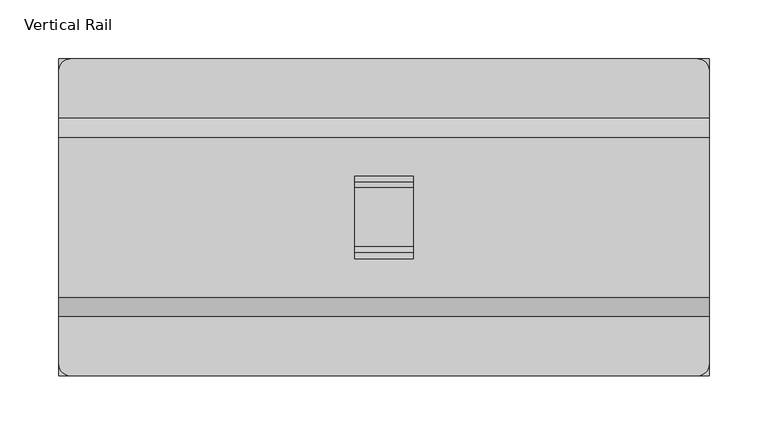
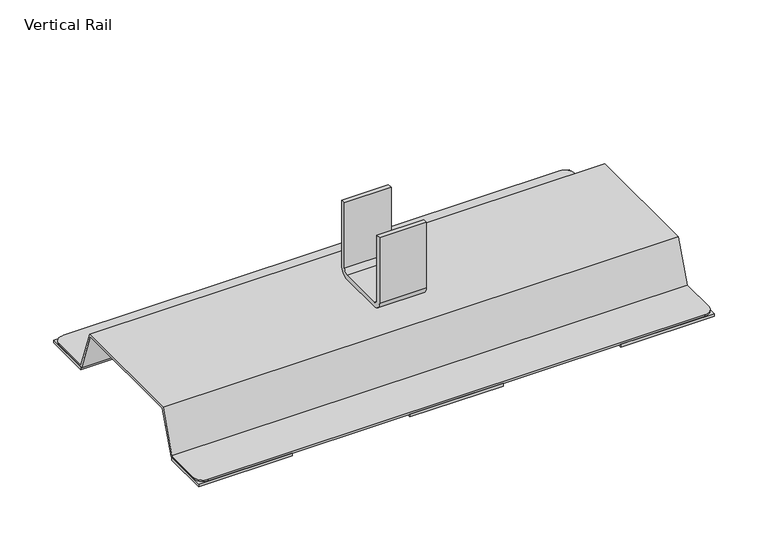
"""IFC4 building model written with IfcOpenShell, lengths in millimetres: proxy geometry, Vertical Rail."""

from ifc_helpers import new_model, si_unit, point, frame, frame_2d, origin, origin_with_axes, place, context, project, spatial, polyline, circle_curve, trimmed, segment, composite_curve, outline, extrude, source, transform, mapped, element, save
from ifc_brep_helpers import plane_surface, cylinder_surface, advanced_brep


def vertical_rail_d196b968(model_context):
    return source(origin(), model_context, "Body", "SolidModel", [
        extrude(outline(composite_curve([segment(polyline([(-35.0, 60.0), (-35.0, 134.0), (-30.0, 134.0), (-30.0, 60.0)]), True, "CONTINUOUS"), segment(trimmed(circle_curve(frame_2d((-25.0, 60.0)), 5.0), [point((-30.0, 60.0))], [point((-25.0, 55.0))], True, "CARTESIAN"), True, "CONTINUOUS"), segment(polyline([(-25.0, 55.0), (25.0, 55.0)]), True, "CONTINUOUS"), segment(trimmed(circle_curve(frame_2d((25.0, 60.0)), 5.0), [point((25.0, 55.0))], [point((30.0, 60.0))], True, "CARTESIAN"), True, "CONTINUOUS"), segment(polyline([(30.0, 60.0), (30.0, 134.0), (35.0, 134.0), (35.0, 60.0)]), True, "CONTINUOUS"), segment(trimmed(circle_curve(frame_2d((25.0, 60.0)), 10.0), [point((35.0, 60.0))], [point((25.0, 50.0))], False, "CARTESIAN"), True, "CONTINUOUS"), segment(polyline([(25.0, 50.0), (-25.0, 50.0)]), True, "CONTINUOUS"), segment(trimmed(circle_curve(frame_2d((-25.0, 60.0)), 10.0), [point((-25.0, 50.0))], [point((-35.0, 60.0))], False, "CARTESIAN"), True, "CONTINUOUS")], self_intersect=False)), frame((-25.0, 0.0, 0.0), z_axis=(1.0, 0.0, 0.0), x_axis=(0.0, 1.0, 0.0)), (0.0, 0.0, 1.0), 50.0),
        extrude(outline(polyline([(-176.0, 134.5), (-176.0, 84.5), (-276.0, 84.5), (-276.0, 134.5), (-176.0, 134.5)])), origin_with_axes(), (0.0, 0.0, 1.0), 3.0),
        extrude(outline(polyline([(50.0, 134.5), (50.0, 84.5), (-50.0, 84.5), (-50.0, 134.5), (50.0, 134.5)])), origin_with_axes(), (0.0, 0.0, 1.0), 3.0),
        extrude(outline(polyline([(276.0, 134.5), (276.0, 84.5), (176.0, 84.5), (176.0, 134.5), (276.0, 134.5)])), origin_with_axes(), (0.0, 0.0, 1.0), 3.0),
        extrude(outline(polyline([(-176.0, -84.5), (-176.0, -134.5), (-276.0, -134.5), (-276.0, -84.5), (-176.0, -84.5)])), origin_with_axes(), (0.0, 0.0, 1.0), 3.0),
        extrude(outline(polyline([(50.0, -84.5), (50.0, -134.5), (-50.0, -134.5), (-50.0, -84.5), (50.0, -84.5)])), origin_with_axes(), (0.0, 0.0, 1.0), 3.0),
        extrude(outline(polyline([(276.0, -84.5), (276.0, -134.5), (176.0, -134.5), (176.0, -84.5), (276.0, -84.5)])), origin_with_axes(), (0.0, 0.0, 1.0), 3.0),
        advanced_brep(
        [(-276.0, 83.0995849, 3.0), (-276.0, 66.7209244, 48.0), (-276.0, -66.7209244, 48.0), (-276.0, -83.0995849, 3.0), (-276.0, -124.5, 3.0), (-276.0, -124.5, 5.0), (-276.0, -84.5, 5.0), (-276.0, -68.1213395, 50.0), (-276.0, 68.1213395, 50.0), (-276.0, 84.5, 5.0), (-276.0, 124.5, 5.0), (-276.0, 124.5, 3.0), (276.0, 84.5, 5.0), (276.0, 68.1213395, 50.0), (276.0, -68.1213395, 50.0), (276.0, -84.5, 5.0), (276.0, -124.5, 5.0), (276.0, -124.5, 3.0), (276.0, -83.0995849, 3.0), (276.0, -66.7209244, 48.0), (276.0, 66.7209244, 48.0), (276.0, 83.0995849, 3.0), (276.0, 124.5, 3.0), (276.0, 124.5, 5.0), (266.0, 134.5, 5.0), (-266.0, 134.5, 5.0), (266.0, 134.5, 3.0), (-266.0, 134.5, 3.0), (266.0, -134.5, 3.0), (-266.0, -134.5, 3.0), (266.0, -134.5, 5.0), (-266.0, -134.5, 5.0)],
        [
            (0, 1),
            (1, 2),
            (2, 3),
            (3, 4),
            (4, 5),
            (5, 6),
            (6, 7),
            (7, 8),
            (8, 9),
            (9, 10),
            (10, 11),
            (11, 0),
            (12, 13),
            (13, 14),
            (14, 15),
            (15, 16),
            (16, 17),
            (17, 18),
            (18, 19),
            (19, 20),
            (20, 21),
            (21, 22),
            (22, 23),
            (23, 12),
            (9, 12),
            (23, 24, circle_curve(frame((266.0, 124.5, 5.0), z_axis=(0.0, 0.0, 1.0), x_axis=(1.0, 0.0, 0.0)), 10.0)),
            (24, 25),
            (25, 10, circle_curve(frame((-266.0, 124.5, 5.0), z_axis=(0.0, 0.0, 1.0), x_axis=(1.0, 0.0, 0.0)), 10.0)),
            (24, 26),
            (26, 27),
            (27, 25),
            (21, 0),
            (11, 27, circle_curve(frame((-266.0, 124.5, 3.0), z_axis=(0.0, 0.0, -1.0), x_axis=(1.0, 0.0, 0.0)), 10.0)),
            (26, 22, circle_curve(frame((266.0, 124.5, 3.0), z_axis=(0.0, 0.0, -1.0), x_axis=(1.0, 0.0, 0.0)), 10.0)),
            (3, 18),
            (17, 28, circle_curve(frame((266.0, -124.5, 3.0), z_axis=(0.0, 0.0, -1.0), x_axis=(1.0, 0.0, 0.0)), 10.0)),
            (28, 29),
            (29, 4, circle_curve(frame((-266.0, -124.5, 3.0), z_axis=(0.0, 0.0, -1.0), x_axis=(1.0, 0.0, 0.0)), 10.0)),
            (28, 30),
            (30, 31),
            (31, 29),
            (15, 6),
            (5, 31, circle_curve(frame((-266.0, -124.5, 5.0), z_axis=(0.0, 0.0, 1.0), x_axis=(1.0, 0.0, 0.0)), 10.0)),
            (30, 16, circle_curve(frame((266.0, -124.5, 5.0), z_axis=(0.0, 0.0, 1.0), x_axis=(1.0, 0.0, 0.0)), 10.0)),
            (8, 13),
            (20, 1),
            (19, 2),
            (14, 7),
        ],
        [
            plane_surface(frame((-276.0, 84.5, 5.0), z_axis=(-1.0, 0.0, 0.0), x_axis=(0.0, 1.0, 0.0))),
            plane_surface(frame((276.0, 84.5, 5.0), z_axis=(1.0, 0.0, 0.0), x_axis=(0.0, -1.0, 0.0))),
            plane_surface(frame((-276.0, 84.5, 5.0), z_axis=(0.0, 0.0, 1.0), x_axis=(1.0, 0.0, 0.0))),
            plane_surface(frame((-276.0, 134.5, 5.0), z_axis=(0.0, 1.0, 0.0), x_axis=(1.0, 0.0, 0.0))),
            plane_surface(frame((-276.0, 134.5, 3.0), z_axis=(0.0, 0.0, -1.0), x_axis=(1.0, 0.0, 0.0))),
            plane_surface(frame((-276.0, -83.0995849, 3.0), z_axis=(0.0, 0.0, -1.0), x_axis=(1.0, 0.0, 0.0))),
            plane_surface(frame((-276.0, -134.5, 3.0), z_axis=(0.0, -1.0, 0.0), x_axis=(1.0, 0.0, 0.0))),
            plane_surface(frame((-276.0, -134.5, 5.0), z_axis=(0.0, 0.0, 1.0), x_axis=(1.0, 0.0, 0.0))),
            plane_surface(frame((-276.0, 68.1213395, 50.0), z_axis=(0.0, 0.9396926207859106, 0.3420201433256627), x_axis=(1.0, 0.0, 0.0))),
            plane_surface(frame((-276.0, 83.0995849, 3.0), z_axis=(0.0, -0.9396926207859109, -0.3420201433256619), x_axis=(1.0, 0.0, 0.0))),
            plane_surface(frame((-276.0, 66.7209244, 48.0), z_axis=(0.0, 0.0, -1.0), x_axis=(1.0, 0.0, 0.0))),
            plane_surface(frame((-276.0, -66.7209244, 48.0), z_axis=(0.0, 0.9396926207859101, -0.3420201433256639), x_axis=(1.0, 0.0, 0.0))),
            plane_surface(frame((-276.0, -84.5, 5.0), z_axis=(0.0, -0.9396926207859106, 0.34202014332566266), x_axis=(1.0, 0.0, 0.0))),
            plane_surface(frame((-276.0, -68.1213395, 50.0), z_axis=(0.0, 0.0, 1.0), x_axis=(1.0, 0.0, 0.0))),
            cylinder_surface(frame((-266.0, 124.5, 3.0), z_axis=(0.0, 0.0, -1.0), x_axis=(1.0, 0.0, 0.0)), 10.0),
            cylinder_surface(frame((266.0, 124.5, 0.0), z_axis=(0.0, 0.0, -1.0), x_axis=(1.0, 0.0, 0.0)), 10.0),
            cylinder_surface(frame((-266.0, -124.5, 0.0), z_axis=(0.0, 0.0, -1.0), x_axis=(1.0, 0.0, 0.0)), 10.0),
            cylinder_surface(frame((266.0, -124.5, 0.0), z_axis=(0.0, 0.0, -1.0), x_axis=(1.0, 0.0, 0.0)), 10.0),
        ],
        [
            (0, [[1, 2, 3, 4, 5, 6, 7, 8, 9, 10, 11, 12]]),
            (1, [[13, 14, 15, 16, 17, 18, 19, 20, 21, 22, 23, 24]]),
            (2, [[25, -24, 26, 27, 28, -10]]),
            (3, [[-27, 29, 30, 31]]),
            (4, [[32, -12, 33, -30, 34, -22]]),
            (5, [[35, -18, 36, 37, 38, -4]]),
            (6, [[-37, 39, 40, 41]]),
            (7, [[42, -6, 43, -40, 44, -16]]),
            (8, [[-9, 45, -13, -25]]),
            (9, [[-1, -32, -21, 46]]),
            (10, [[-2, -46, -20, 47]]),
            (11, [[-3, -47, -19, -35]]),
            (12, [[-7, -42, -15, 48]]),
            (13, [[-8, -48, -14, -45]]),
            (14, [[-11, -28, -31, -33]]),
            (15, [[-23, -34, -29, -26]]),
            (16, [[-5, -38, -41, -43]]),
            (17, [[-17, -44, -39, -36]]),
        ],
    ),
    ])


if __name__ == "__main__":
    model = new_model("IFC4")
    model_context = context("Model", 3, world=origin())
    ifc_project = project(units=[si_unit("LENGTHUNIT", "METRE", prefix="MILLI")], contexts=[model_context])
    site = spatial("IfcSite", under=ifc_project)
    building = spatial("IfcBuilding", under=site)
    placement = place(None, origin())
    vertical_rail_shape = vertical_rail_d196b968(model_context)
    element("IfcBuildingElementProxy", 1, Name="Vertical Rail", ObjectType="Vertical Rail", at=placement, inside=building, context=model_context, shape_type="MappedRepresentation", body=[
        mapped(vertical_rail_shape, transform((0.0, 0.0, 0.0), x_axis=(1.0, 0.0, 0.0), y_axis=(0.0, 1.0, 0.0), z_axis=(0.0, 0.0, 1.0))),
    ])
    save(model, "model.ifc")
